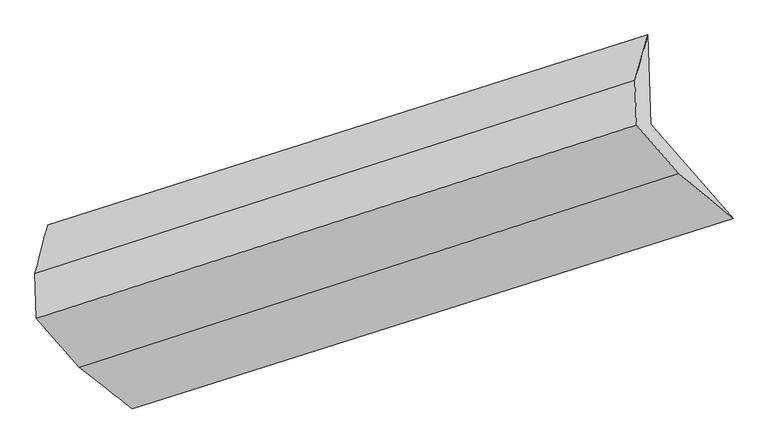
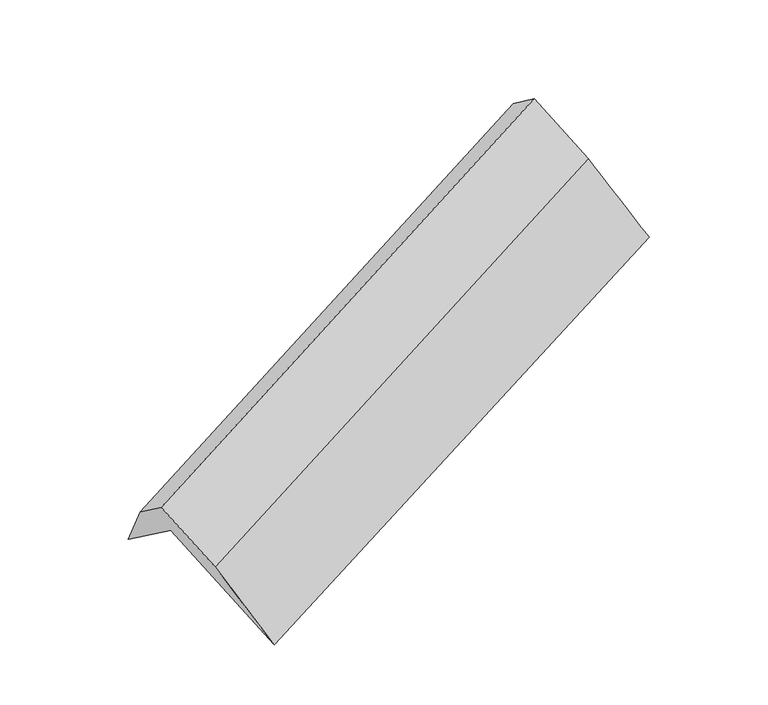
"""IFC4 building model written with IfcOpenShell, lengths in millimetres: proxy geometry."""

from ifc_helpers import new_model, si_unit, frame, origin, place, context, project, spatial, source, transform, mapped, element, save
from ifc_brep_helpers import plane_surface, spline_surface, advanced_brep


def generic_models_d2eed4c2(model_context):
    return source(origin(), model_context, "Body", "AdvancedBrep", [
        advanced_brep(
        [(-5124.3538848, -2181.4940047, 1282.4026427), (-5146.0297944, -1525.9048221, 800.2449051), (-805.4869484, -150.5649691, 2542.6961078), (-784.0772981, -798.1011244, 3018.9311891), (-5238.3029263, -1877.3319505, 1322.3957381), (-898.558858, -477.8330156, 3047.0789719), (-5227.5251693, -2203.3058539, 1562.1355691), (-887.7811011, -803.8069191, 3286.8188028), (-4919.3417286, -2555.9102173, 1068.8452116), (-579.5976604, -1156.4112824, 2793.5284454), (-4532.9916512, -2858.0939655, 335.845336), (-188.1841417, -1479.8850857, 2065.1215119)],
        [
            (0, 1),
            (1, 2),
            (2, 3),
            (3, 0),
            (1, 4),
            (4, 5),
            (5, 2),
            (4, 6),
            (6, 7),
            (7, 5),
            (6, 8),
            (8, 9),
            (9, 7),
            (8, 10),
            (10, 11),
            (11, 9),
            (10, 0),
            (3, 11),
        ],
        [
            plane_surface(frame((-5135.1918396, -1853.6994134, 1041.3237739), z_axis=(0.454919116598796, -0.5178088988758378, -0.724515383962248), x_axis=(-0.0266259260972794, 0.8053027270769912, -0.5922656311333819))),
            spline_surface(1, 1, [[(-5146.0297944, -1525.9048221, 800.2449051), (-805.4869484, -150.5649691, 2542.6961078)], [(-5238.3029263, -1877.3319505, 1322.3957381), (-898.558858, -477.8330156, 3047.0789719)]], [2, 2], [2, 2], [0.0, 1.0], [0.0, 1.0]),
            plane_surface(frame((-5232.9140478, -2040.3189022, 1442.2656536), z_axis=(-0.45491911659879314, 0.5178088988758377, 0.72451538396225), x_axis=(0.026625926097279453, -0.8053027270769922, 0.5922656311333807))),
            plane_surface(frame((-5073.4334489, -2379.6080356, 1315.4903903), z_axis=(0.02479807269109416, -0.805891097178189, 0.5915442460879341), x_axis=(0.45309227242946926, -0.5184000537987009, -0.7252370487545461))),
            spline_surface(1, 1, [[(-4919.3417286, -2555.9102173, 1068.8452116), (-579.5976604, -1156.4112824, 2793.5284454)], [(-4532.9916512, -2858.0939655, 335.845336), (-188.1841417, -1479.8850857, 2065.1215119)]], [2, 2], [2, 2], [0.0, 1.0], [0.0, 1.0]),
            plane_surface(frame((-4828.672768, -2519.7939851, 809.1239894), z_axis=(-0.021142122081566378, 0.8070576427402126, -0.5900940365471419), x_axis=(-0.45309227242946615, 0.5184000537987095, 0.7252370487545419))),
            plane_surface(frame((-690.6143346, -811.1003994, 2792.3625048), z_axis=(0.8910659081819721, 0.2876610887552786, 0.35107356108366417), x_axis=(0.44081662752281364, -0.3643017531693103, -0.8203443993452871))),
            plane_surface(frame((-5031.4241924, -2200.3401357, 1061.9782338), z_axis=(-0.8910659081819701, -0.2876610887552571, -0.3510735610836871), x_axis=(0.45309227242947187, -0.5184000537987077, -0.7252370487545395))),
        ],
        [
            (0, [[1, 2, 3, 4]]),
            (1, [[5, 6, 7, -2]]),
            (2, [[8, 9, 10, -6]]),
            (3, [[11, 12, 13, -9]]),
            (4, [[14, 15, 16, -12]]),
            (5, [[17, -4, 18, -15]]),
            (6, [[-16, -18, -3, -7, -10, -13]]),
            (7, [[-17, -14, -11, -8, -5, -1]]),
        ],
    ),
    ])


if __name__ == "__main__":
    model = new_model("IFC4")
    model_context = context("Model", 3, world=origin())
    ifc_project = project(units=[si_unit("LENGTHUNIT", "METRE", prefix="MILLI")], contexts=[model_context])
    site = spatial("IfcSite", under=ifc_project)
    building = spatial("IfcBuilding", under=site)
    placement = place(None, origin())
    generic_models_shape = generic_models_d2eed4c2(model_context)
    element("IfcBuildingElementProxy", 1, Name="Generic Models", at=placement, inside=building, context=model_context, shape_type="MappedRepresentation", body=[
        mapped(generic_models_shape, transform((0.0, 0.0, 0.0), x_axis=(1.0, 0.0, 0.0), y_axis=(0.0, 1.0, 0.0), z_axis=(0.0, 0.0, 1.0))),
    ])
    save(model, "model.ifc")
